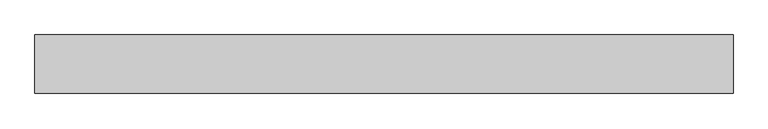
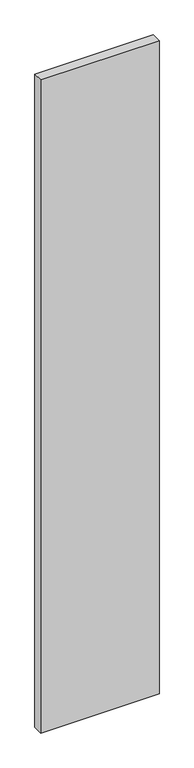
"""IFC4 building model written with IfcOpenShell, lengths in millimetres: proxy geometry."""

from ifc_helpers import new_model, si_unit, origin, origin_with_axes, place, context, project, spatial, polyline, outline, extrude, source, transform, mapped, element, save


def generic_models_161b2add(model_context):
    return source(origin(), model_context, "Body", "SweptSolid", [
        extrude(outline(polyline([(1200.0, 100.0), (1200.0, 0.0), (0.0, 0.0), (0.0, 100.0), (1200.0, 100.0)])), origin_with_axes(), (0.0, 0.0, 1.0), 7000.0),
    ])


if __name__ == "__main__":
    model = new_model("IFC4")
    model_context = context("Model", 3, world=origin())
    ifc_project = project(units=[si_unit("LENGTHUNIT", "METRE", prefix="MILLI")], contexts=[model_context])
    site = spatial("IfcSite", under=ifc_project)
    building = spatial("IfcBuilding", under=site)
    placement = place(None, origin())
    generic_models_shape = generic_models_161b2add(model_context)
    element("IfcBuildingElementProxy", 1, Name="Generic Models", at=placement, inside=building, context=model_context, shape_type="MappedRepresentation", body=[
        mapped(generic_models_shape, transform((0.0, 0.0, 0.0), x_axis=(1.0, 0.0, 0.0), y_axis=(0.0, 1.0, 0.0), z_axis=(0.0, 0.0, 1.0))),
    ])
    save(model, "model.ifc")
